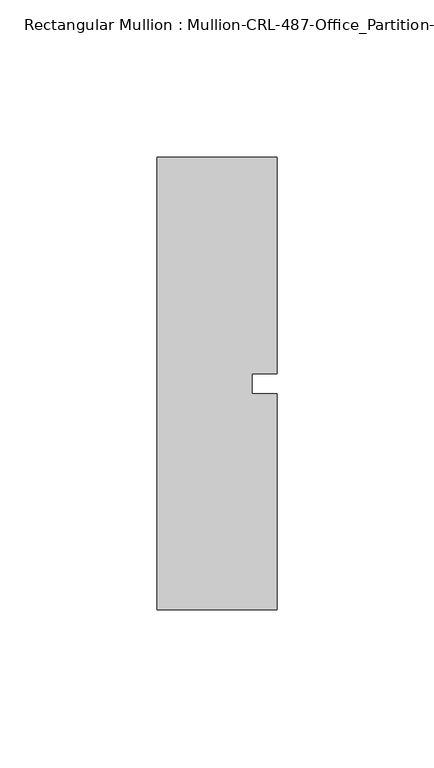
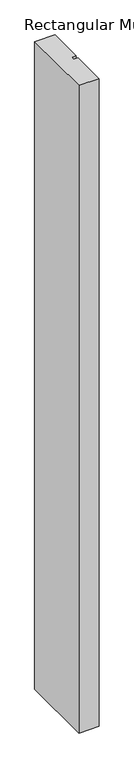
"""IFC4 building model written with IfcOpenShell, lengths in millimetres: member geometry, Rectangular Mullion : Mullion-CRL-487-Office_Partition-Intermediate_Door_Jamb."""

from ifc_helpers import new_model, si_unit, frame, origin, place, context, project, spatial, polyline, outline, extrude, source, transform, mapped, element, save


def rectangular_mullion_mullion_crl_487_office_partition_1bd296de(model_context):
    return source(origin(), model_context, "Body", "SweptSolid", [
        extrude(outline(polyline([(-19.05, -71.9452143), (-19.05, 71.9452142), (19.05, 71.9452142), (19.05, 3.175), (11.1125, 3.175), (11.1125, -3.175), (19.05, -3.175), (19.05, -71.9452143), (-19.05, -71.9452143)])), frame((0.0, 0.0, -1289.05), z_axis=(0.0, 0.0, 1.0), x_axis=(1.0, 0.0, 0.0)), (0.0, 0.0, 1.0), 1289.05),
    ])


if __name__ == "__main__":
    model = new_model("IFC4")
    model_context = context("Model", 3, world=origin())
    ifc_project = project(units=[si_unit("LENGTHUNIT", "METRE", prefix="MILLI")], contexts=[model_context])
    site = spatial("IfcSite", under=ifc_project)
    building = spatial("IfcBuilding", under=site)
    placement = place(None, origin())
    rectangular_mullion_mullion_crl_487_office_partition_shape = rectangular_mullion_mullion_crl_487_office_partition_1bd296de(model_context)
    element("IfcMember", 1, ObjectType="Rectangular Mullion : Mullion-CRL-487-Office_Partition-Intermediate_Door_Jamb", at=placement, inside=building, context=model_context, shape_type="MappedRepresentation", body=[
        mapped(rectangular_mullion_mullion_crl_487_office_partition_shape, transform((0.0, 0.0, 0.0), x_axis=(1.0, 0.0, 0.0), y_axis=(0.0, 1.0, 0.0), z_axis=(0.0, 0.0, 1.0))),
    ])
    save(model, "model.ifc")
